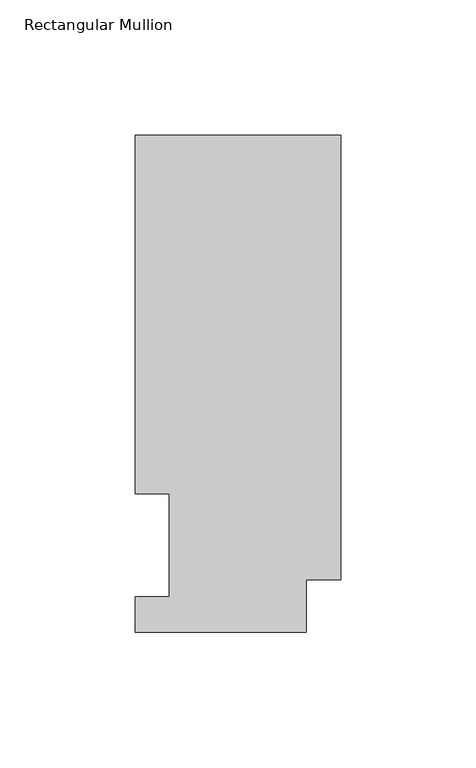
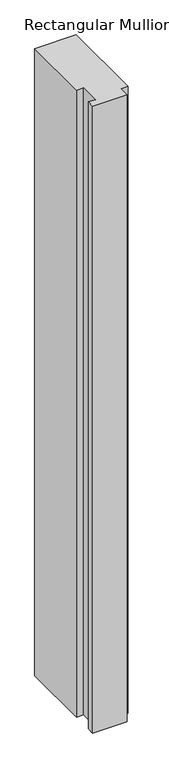
"""IFC4 building model written with IfcOpenShell, lengths in millimetres: member geometry, Rectangular Mullion."""

from ifc_helpers import new_model, si_unit, frame, origin, place, context, project, spatial, polyline, outline, extrude, source, transform, mapped, element, save


def rectangular_mullion_73db7f7f(model_context):
    return source(origin(), model_context, "Body", "SweptSolid", [
        extrude(outline(polyline([(-76.2, 0.0134938), (-76.2, 13.1960938), (-63.5, 13.1960938), (-63.5, 51.2960937), (-76.2, 51.2960938), (-76.2, 184.2396938), (0.0, 184.2396937), (0.0, 19.5460937), (-12.7, 19.5460937), (-12.7, 0.0134938), (-76.2, 0.0134938)])), frame((0.0, 0.0, -1219.2), z_axis=(0.0, 0.0, 1.0), x_axis=(1.0, 0.0, 0.0)), (0.0, 0.0, 1.0), 1219.2),
    ])


if __name__ == "__main__":
    model = new_model("IFC4")
    model_context = context("Model", 3, world=origin())
    ifc_project = project(units=[si_unit("LENGTHUNIT", "METRE", prefix="MILLI")], contexts=[model_context])
    site = spatial("IfcSite", under=ifc_project)
    building = spatial("IfcBuilding", under=site)
    placement = place(None, origin())
    rectangular_mullion_shape = rectangular_mullion_73db7f7f(model_context)
    element("IfcMember", 1, ObjectType="Rectangular Mullion", at=placement, inside=building, context=model_context, shape_type="MappedRepresentation", body=[
        mapped(rectangular_mullion_shape, transform((0.0, 0.0, 0.0), x_axis=(1.0, 0.0, 0.0), y_axis=(0.0, 1.0, 0.0), z_axis=(0.0, 0.0, 1.0))),
    ])
    save(model, "model.ifc")
